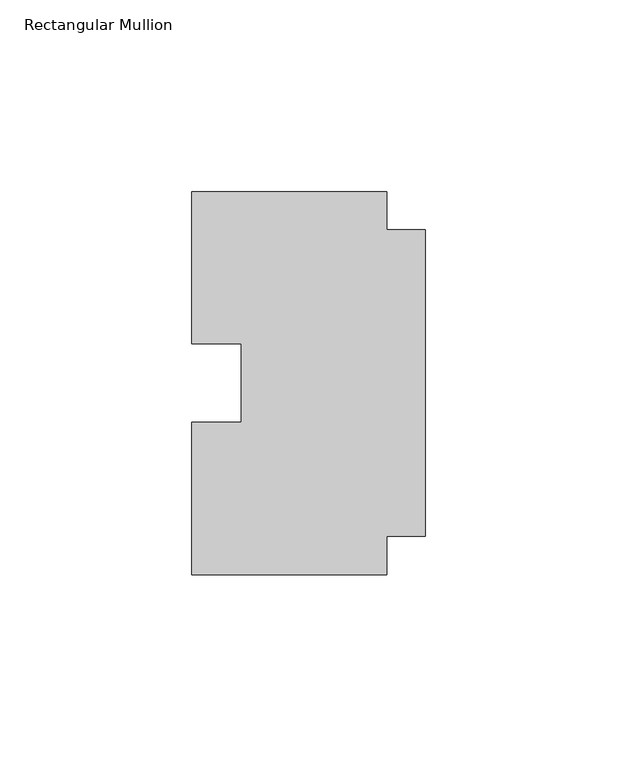
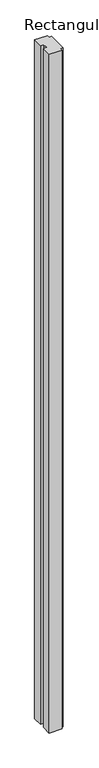
"""IFC4 building model written with IfcOpenShell, lengths in millimetres: member geometry, Rectangular Mullion."""

from ifc_helpers import new_model, si_unit, frame, origin, place, context, project, spatial, polyline, outline, extrude, source, transform, mapped, element, save


def rectangular_mullion_3744ce7d(model_context):
    return source(origin(), model_context, "Body", "SweptSolid", [
        extrude(outline(polyline([(0.0, 40.0), (0.0, -40.0), (-10.0, -40.0), (-10.0, -50.0), (-61.0, -50.0), (-61.0, -10.25), (-48.0, -10.25), (-48.0, 10.25), (-61.0, 10.25), (-61.0, 50.0), (-10.0, 50.0), (-10.0, 40.0), (0.0, 40.0)])), frame((0.0, 0.0, -2878.0), z_axis=(0.0, 0.0, 1.0), x_axis=(1.0, 0.0, 0.0)), (0.0, 0.0, 1.0), 2878.0),
    ])


if __name__ == "__main__":
    model = new_model("IFC4")
    model_context = context("Model", 3, world=origin())
    ifc_project = project(units=[si_unit("LENGTHUNIT", "METRE", prefix="MILLI")], contexts=[model_context])
    site = spatial("IfcSite", under=ifc_project)
    building = spatial("IfcBuilding", under=site)
    placement = place(None, origin())
    rectangular_mullion_shape = rectangular_mullion_3744ce7d(model_context)
    element("IfcMember", 1, ObjectType="Rectangular Mullion", at=placement, inside=building, context=model_context, shape_type="MappedRepresentation", body=[
        mapped(rectangular_mullion_shape, transform((0.0, 0.0, 0.0), x_axis=(1.0, 0.0, 0.0), y_axis=(0.0, 1.0, 0.0), z_axis=(0.0, 0.0, 1.0))),
    ])
    save(model, "model.ifc")
